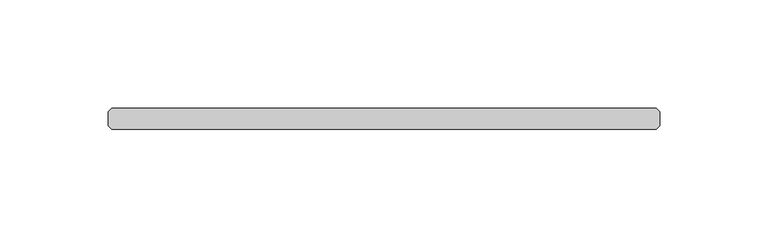
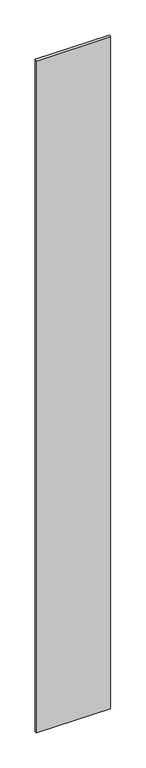
"""IFC4 building model written with IfcOpenShell, lengths in millimetres: plate geometry."""

from ifc_helpers import new_model, si_unit, origin, origin_with_axes, place, context, project, spatial, polyline, outline, extrude, source, transform, mapped, element, save


def plate_4b9d9df8(model_context):
    return source(origin(), model_context, "Body", "SweptSolid", [
        extrude(outline(polyline([(125.4125, -34.925), (-125.4125, -34.925), (-127.0, -33.3375), (-127.0, -26.9875), (-125.4125, -25.4), (125.4125, -25.4), (127.0, -26.9875), (127.0, -33.3375), (125.4125, -34.925)])), origin_with_axes(), (0.0, 0.0, 1.0), 2417.075),
    ])


if __name__ == "__main__":
    model = new_model("IFC4")
    model_context = context("Model", 3, world=origin())
    ifc_project = project(units=[si_unit("LENGTHUNIT", "METRE", prefix="MILLI")], contexts=[model_context])
    site = spatial("IfcSite", under=ifc_project)
    building = spatial("IfcBuilding", under=site)
    placement = place(None, origin())
    plate_shape = plate_4b9d9df8(model_context)
    element("IfcPlate", 1, at=placement, inside=building, context=model_context, shape_type="MappedRepresentation", body=[
        mapped(plate_shape, transform((0.0, 0.0, 0.0), x_axis=(1.0, 0.0, 0.0), y_axis=(0.0, 1.0, 0.0), z_axis=(0.0, 0.0, 1.0))),
    ])
    save(model, "model.ifc")
